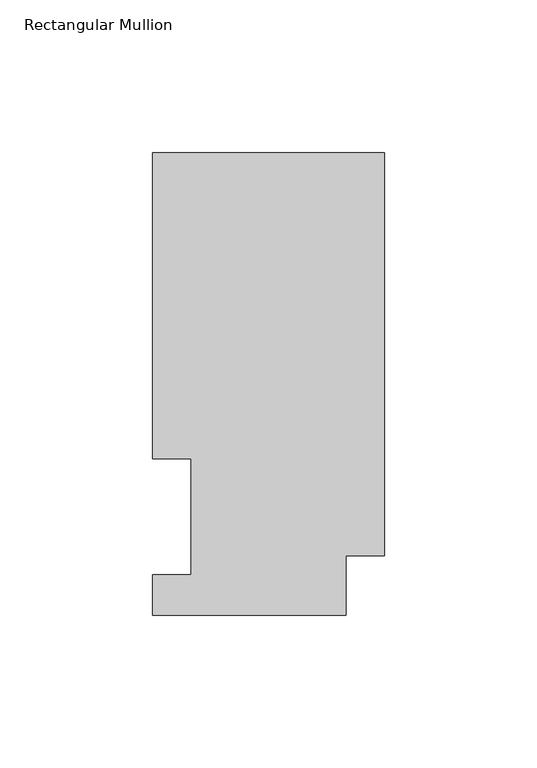
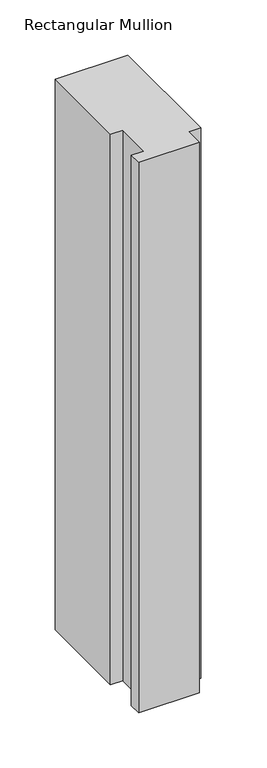
"""IFC4 building model written with IfcOpenShell, lengths in millimetres: member geometry, Rectangular Mullion."""

from ifc_helpers import new_model, si_unit, frame, origin, place, context, project, spatial, polyline, outline, extrude, source, transform, mapped, element, save


def rectangular_mullion_7f3d5320(model_context):
    return source(origin(), model_context, "Body", "SweptSolid", [
        extrude(outline(polyline([(0.0, 151.7027918), (0.0, 19.5460937), (-12.7, 19.5460937), (-12.7, 0.0139918), (-76.2, 0.0139918), (-76.2, 13.1965918), (-63.5, 13.1965918), (-63.5, 51.2960938), (-76.2, 51.2960938), (-76.2, 151.7027918), (0.0, 151.7027918)])), frame((0.0, 0.0, -609.6), z_axis=(0.0, 0.0, 1.0), x_axis=(1.0, 0.0, 0.0)), (0.0, 0.0, 1.0), 609.6),
    ])


if __name__ == "__main__":
    model = new_model("IFC4")
    model_context = context("Model", 3, world=origin())
    ifc_project = project(units=[si_unit("LENGTHUNIT", "METRE", prefix="MILLI")], contexts=[model_context])
    site = spatial("IfcSite", under=ifc_project)
    building = spatial("IfcBuilding", under=site)
    placement = place(None, origin())
    rectangular_mullion_shape = rectangular_mullion_7f3d5320(model_context)
    element("IfcMember", 1, ObjectType="Rectangular Mullion", at=placement, inside=building, context=model_context, shape_type="MappedRepresentation", body=[
        mapped(rectangular_mullion_shape, transform((0.0, 0.0, 0.0), x_axis=(1.0, 0.0, 0.0), y_axis=(0.0, 1.0, 0.0), z_axis=(0.0, 0.0, 1.0))),
    ])
    save(model, "model.ifc")
